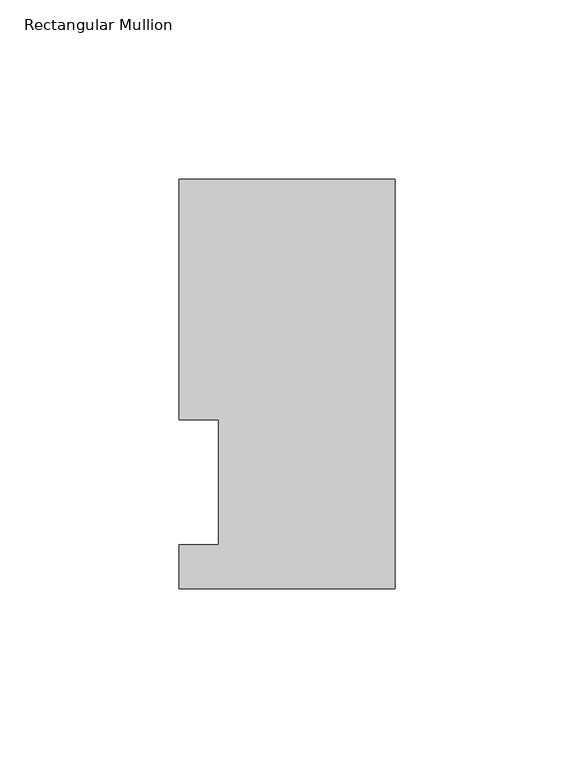
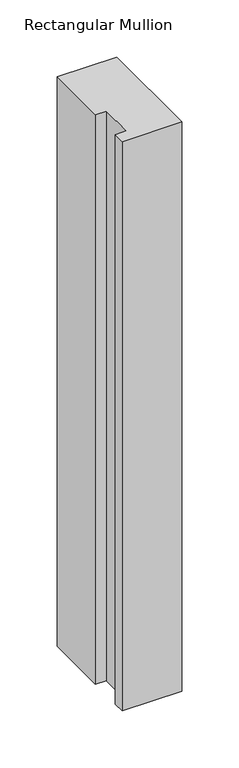
"""IFC4 building model written with IfcOpenShell, lengths in millimetres: member geometry, Rectangular Mullion."""

from ifc_helpers import new_model, si_unit, frame, origin, place, context, project, spatial, polyline, outline, extrude, source, transform, mapped, element, save


def rectangular_mullion_6f79be1b(model_context):
    return source(origin(), model_context, "Body", "SweptSolid", [
        extrude(outline(polyline([(0.0, 114.252375), (0.0, -0.047625), (-60.325, -0.047625), (-60.325, 12.144375), (-49.2125, 12.144375), (-49.2125, 47.069375), (-60.325, 47.069375), (-60.325, 114.252375), (0.0, 114.252375)])), frame((0.0, 0.0, -609.6), z_axis=(0.0, 0.0, 1.0), x_axis=(1.0, 0.0, 0.0)), (0.0, 0.0, 1.0), 609.6),
    ])


if __name__ == "__main__":
    model = new_model("IFC4")
    model_context = context("Model", 3, world=origin())
    ifc_project = project(units=[si_unit("LENGTHUNIT", "METRE", prefix="MILLI")], contexts=[model_context])
    site = spatial("IfcSite", under=ifc_project)
    building = spatial("IfcBuilding", under=site)
    placement = place(None, origin())
    rectangular_mullion_shape = rectangular_mullion_6f79be1b(model_context)
    element("IfcMember", 1, ObjectType="Rectangular Mullion", at=placement, inside=building, context=model_context, shape_type="MappedRepresentation", body=[
        mapped(rectangular_mullion_shape, transform((0.0, 0.0, 0.0), x_axis=(1.0, 0.0, 0.0), y_axis=(0.0, 1.0, 0.0), z_axis=(0.0, 0.0, 1.0))),
    ])
    save(model, "model.ifc")
